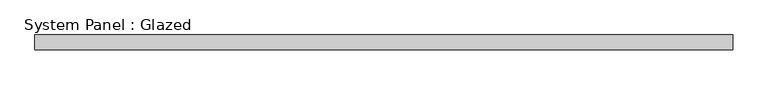
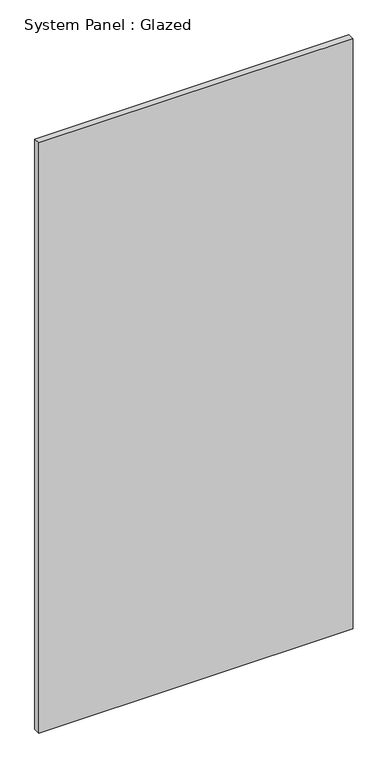
"""IFC4 building model written with IfcOpenShell, lengths in millimetres: plate geometry, System Panel : Glazed."""

from ifc_helpers import new_model, si_unit, origin, origin_with_axes, place, context, project, spatial, polyline, outline, extrude, source, transform, mapped, element, save


def system_panel_glazed_32e76c8e(model_context):
    return source(origin(), model_context, "Body", "SweptSolid", [
        extrude(outline(polyline([(585.7011128, 24.5), (-585.7011128, 24.5), (-585.7011128, 49.5), (585.7011128, 49.5), (585.7011128, 24.5)])), origin_with_axes(), (0.0, 0.0, 1.0), 2325.0),
    ])


if __name__ == "__main__":
    model = new_model("IFC4")
    model_context = context("Model", 3, world=origin())
    ifc_project = project(units=[si_unit("LENGTHUNIT", "METRE", prefix="MILLI")], contexts=[model_context])
    site = spatial("IfcSite", under=ifc_project)
    building = spatial("IfcBuilding", under=site)
    placement = place(None, origin())
    system_panel_glazed_shape = system_panel_glazed_32e76c8e(model_context)
    element("IfcPlate", 1, ObjectType="System Panel : Glazed", at=placement, inside=building, context=model_context, shape_type="MappedRepresentation", body=[
        mapped(system_panel_glazed_shape, transform((0.0, 0.0, 0.0), x_axis=(1.0, 0.0, 0.0), y_axis=(0.0, 1.0, 0.0), z_axis=(0.0, 0.0, 1.0))),
    ])
    save(model, "model.ifc")
